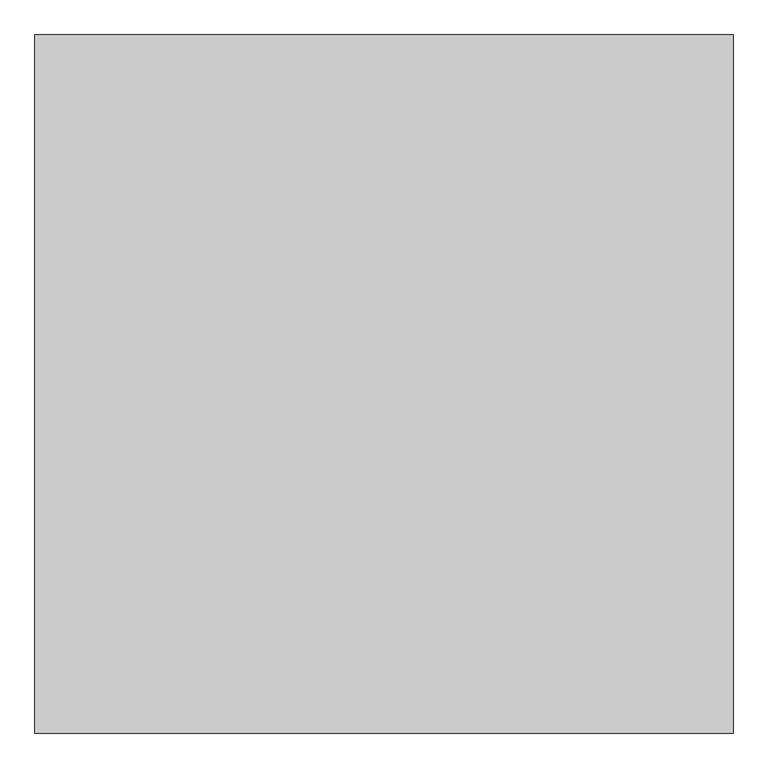
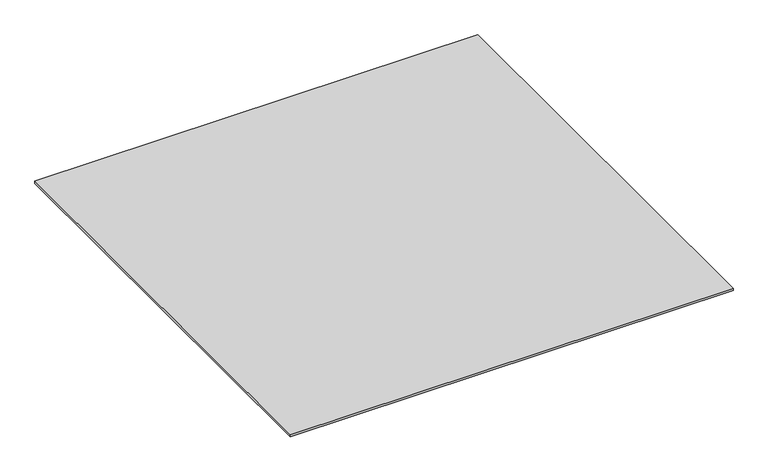
"""IFC4 building model written with IfcOpenShell, lengths in millimetres: proxy geometry."""

from ifc_helpers import new_model, si_unit, origin, origin_with_axes, place, context, project, spatial, polyline, outline, extrude, source, transform, mapped, element, save


def generic_models_64396133(model_context):
    return source(origin(), model_context, "Body", "SweptSolid", [
        extrude(outline(polyline([(7403.0762132, -20087.355679), (7403.0762132, -21087.355679), (6403.0762132, -21087.355679), (6403.0762132, -20087.355679), (7403.0762132, -20087.355679)])), origin_with_axes(), (0.0, 0.0, 1.0), 5.0),
    ])


if __name__ == "__main__":
    model = new_model("IFC4")
    model_context = context("Model", 3, world=origin())
    ifc_project = project(units=[si_unit("LENGTHUNIT", "METRE", prefix="MILLI")], contexts=[model_context])
    site = spatial("IfcSite", under=ifc_project)
    building = spatial("IfcBuilding", under=site)
    placement = place(None, origin())
    generic_models_shape = generic_models_64396133(model_context)
    element("IfcBuildingElementProxy", 1, Name="Generic Models", at=placement, inside=building, context=model_context, shape_type="MappedRepresentation", body=[
        mapped(generic_models_shape, transform((0.0, 0.0, 0.0), x_axis=(1.0, 0.0, 0.0), y_axis=(0.0, 1.0, 0.0), z_axis=(0.0, 0.0, 1.0))),
    ])
    save(model, "model.ifc")
